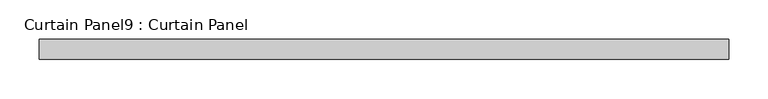
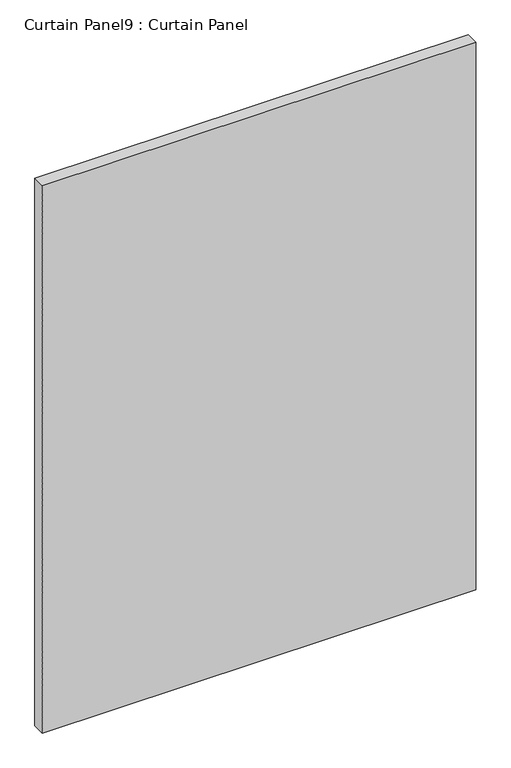
"""IFC4 building model written with IfcOpenShell, lengths in millimetres: plate geometry, Curtain Panel9 : Curtain Panel."""

from ifc_helpers import new_model, si_unit, frame, origin, place, context, project, spatial, polyline, outline, extrude, source, transform, mapped, element, save


def curtain_panel9_curtain_panel_37089542(model_context):
    return source(origin(), model_context, "Body", "SweptSolid", [
        extrude(outline(polyline([(-53382.2857479, -2008.5687974), (-54260.4399479, -2008.5687974), (-54260.4399479, -1983.1687974), (-53382.2857479, -1983.1687974), (-53382.2857479, -2008.5687974)])), frame((0.0, 0.0, 1242.2898463), z_axis=(0.0, 0.0, 1.0), x_axis=(1.0, 0.0, 0.0)), (0.0, 0.0, 1.0), 1172.3357537),
    ])


if __name__ == "__main__":
    model = new_model("IFC4")
    model_context = context("Model", 3, world=origin())
    ifc_project = project(units=[si_unit("LENGTHUNIT", "METRE", prefix="MILLI")], contexts=[model_context])
    site = spatial("IfcSite", under=ifc_project)
    building = spatial("IfcBuilding", under=site)
    placement = place(None, origin())
    curtain_panel9_curtain_panel_shape = curtain_panel9_curtain_panel_37089542(model_context)
    element("IfcPlate", 1, ObjectType="Curtain Panel9 : Curtain Panel", at=placement, inside=building, context=model_context, shape_type="MappedRepresentation", body=[
        mapped(curtain_panel9_curtain_panel_shape, transform((0.0, 0.0, 0.0), x_axis=(1.0, 0.0, 0.0), y_axis=(0.0, 1.0, 0.0), z_axis=(0.0, 0.0, 1.0))),
    ])
    save(model, "model.ifc")
